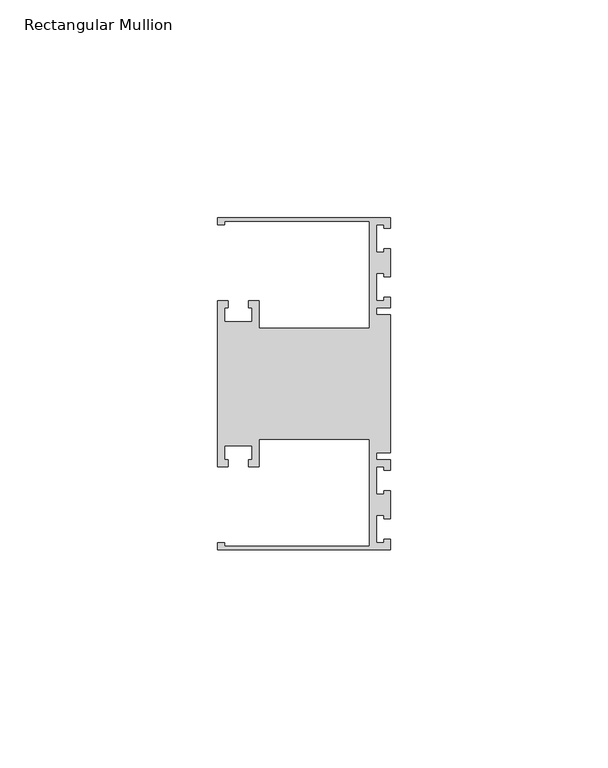
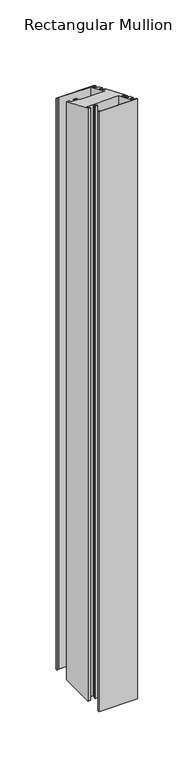
"""IFC4 building model written with IfcOpenShell, lengths in millimetres: member geometry, Rectangular Mullion."""

from ifc_helpers import new_model, si_unit, origin, place, context, project, spatial, faceted_brep, source, transform, mapped, element, save


def rectangular_mullion_a3b3ea64(model_context):
    return source(origin(), model_context, "Body", "Brep", [
        faceted_brep([(0.0, 38.1, -635.0), (0.0, 35.71875, -635.0), (-1.4999946, 35.71875, -635.0), (-1.4999946, 36.5125, -635.0), (-3.175, 36.5125, -635.0), (-3.175, 30.1625, -635.0), (-1.4999946, 30.1625, -635.0), (-1.4999946, 30.95625, -635.0), (0.0, 30.95625, -635.0), (0.0, 24.60625, -635.0), (-1.4999946, 24.60625, -635.0), (-1.4999946, 25.4, -635.0), (-3.175, 25.4, -635.0), (-3.175, 19.05, -635.0), (-1.4999946, 19.05, -635.0), (-1.4999946, 19.84375, -635.0), (0.0, 19.84375, -635.0), (0.0, 17.4625, -635.0), (-3.175, 17.4625, -635.0), (-3.175, 15.875, -635.0), (0.0, 15.875, -635.0), (0.0, -15.875, -635.0), (-3.175, -15.875, -635.0), (-3.175, -17.4625, -635.0), (0.0, -17.4625, -635.0), (0.0, -19.84375, -635.0), (-1.4999946, -19.84375, -635.0), (-1.4999946, -19.05, -635.0), (-3.175, -19.05, -635.0), (-3.175, -25.4, -635.0), (-1.4999946, -25.4, -635.0), (-1.4999946, -24.60625, -635.0), (0.0, -24.60625, -635.0), (0.0, -30.95625, -635.0), (-1.4999946, -30.95625, -635.0), (-1.4999946, -30.1625, -635.0), (-3.175, -30.1625, -635.0), (-3.175, -36.5125, -635.0), (-1.4999946, -36.5125, -635.0), (-1.4999946, -35.71875, -635.0), (0.0, -35.71875, -635.0), (0.0, -38.1, -635.0), (-39.6875, -38.1, -635.0), (-39.6875, -36.5125, -635.0), (-38.1, -36.5125, -635.0), (-38.1, -37.30625, -635.0), (-4.8585733, -37.30625, -635.0), (-4.8585733, -12.6999969, -635.0), (-30.1625, -12.6999969, -635.0), (-30.1625, -19.05, -635.0), (-32.54375, -19.05, -635.0), (-32.54375, -17.4625, -635.0), (-31.75, -17.4625, -635.0), (-31.75, -14.2875, -635.0), (-38.1, -14.2875, -635.0), (-38.1, -17.4625, -635.0), (-37.30625, -17.4625, -635.0), (-37.30625, -19.05, -635.0), (-39.6875, -19.05, -635.0), (-39.6875, 19.05, -635.0), (-37.30625, 19.05, -635.0), (-37.30625, 17.4625, -635.0), (-38.1, 17.4625, -635.0), (-38.1, 14.2875, -635.0), (-31.75, 14.2875, -635.0), (-31.75, 17.4625, -635.0), (-32.54375, 17.4625, -635.0), (-32.54375, 19.05, -635.0), (-30.1625, 19.05, -635.0), (-30.1625, 12.6999969, -635.0), (-4.8585733, 12.6999969, -635.0), (-4.8585733, 37.30625, -635.0), (-38.1, 37.30625, -635.0), (-38.1, 36.5125, -635.0), (-39.6875, 36.5125, -635.0), (-39.6875, 38.1, -635.0), (-39.6875, 38.1, -15.7815367), (0.0, 38.1, -15.7815367), (-39.6875, 36.5125, -15.1239727), (-38.1, 36.5125, -15.1239727), (-38.1, 37.30625, -15.4527547), (-4.8585733, 37.30625, -15.4527547), (-4.8585733, 12.6999969, -5.260511), (-30.1625, 12.6999969, -5.260511), (-30.1625, 19.05, -7.8907684), (-32.54375, 19.05, -7.8907684), (-32.54375, 17.4625, -7.2332043), (-31.75, 17.4625, -7.2332043), (-31.75, 14.2875, -5.9180763), (-38.1, 14.2875, -5.9180763), (-38.1, 17.4625, -7.2332043), (-37.30625, 17.4625, -7.2332043), (-37.30625, 19.05, -7.8907684), (-39.6875, 19.05, -7.8907684), (-39.6875, -19.05, 7.8907684), (-37.30625, -19.05, 7.8907684), (-37.30625, -17.4625, 7.2332043), (-38.1, -17.4625, 7.2332043), (-38.1, -14.2875, 5.9180763), (-31.75, -14.2875, 5.9180763), (-31.75, -17.4625, 7.2332043), (-32.54375, -17.4625, 7.2332043), (-32.54375, -19.05, 7.8907684), (-30.1625, -19.05, 7.8907684), (-30.1625, -12.6999969, 5.260511), (-4.8585733, -12.6999969, 5.260511), (-4.8585733, -37.30625, 15.4527547), (-38.1, -37.30625, 15.4527547), (-38.1, -36.5125, 15.1239727), (-39.6875, -36.5125, 15.1239727), (-39.6875, -38.1, 15.7815367), (0.0, -38.1, 15.7815367), (0.0, -35.71875, 14.7951907), (-1.4999946, -35.71875, 14.7951907), (-1.4999946, -36.5125, 15.1239727), (-3.175, -36.5125, 15.1239727), (-3.175, -30.1625, 12.4937166), (-1.4999946, -30.1625, 12.4937166), (-1.4999946, -30.95625, 12.8224986), (0.0, -30.95625, 12.8224986), (0.0, -24.60625, 10.1922425), (-1.4999946, -24.60625, 10.1922425), (-1.4999946, -25.4, 10.5210245), (-3.175, -25.4, 10.5210245), (-3.175, -19.05, 7.8907684), (-1.4999946, -19.05, 7.8907684), (-1.4999946, -19.84375, 8.2195504), (0.0, -19.84375, 8.2195504), (0.0, -17.4625, 7.2332043), (-3.175, -17.4625, 7.2332043), (-3.175, -15.875, 6.5756403), (0.0, -15.875, 6.5756403), (0.0, 15.875, -6.5756403), (-3.175, 15.875, -6.5756403), (-3.175, 17.4625, -7.2332043), (0.0, 17.4625, -7.2332043), (0.0, 19.84375, -8.2195504), (-1.4999946, 19.84375, -8.2195504), (-1.4999946, 19.05, -7.8907684), (-3.175, 19.05, -7.8907684), (-3.175, 25.4, -10.5210245), (-1.4999946, 25.4, -10.5210245), (-1.4999946, 24.60625, -10.1922425), (0.0, 24.60625, -10.1922425), (0.0, 30.95625, -12.8224986), (-1.4999946, 30.95625, -12.8224986), (-1.4999946, 30.1625, -12.4937166), (-3.175, 30.1625, -12.4937166), (-3.175, 36.5125, -15.1239727), (-1.4999946, 36.5125, -15.1239727), (-1.4999946, 35.71875, -14.7951907), (0.0, 35.71875, -14.7951907)], [[[0, 1, 2, 3, 4, 5, 6, 7, 8, 9, 10, 11, 12, 13, 14, 15, 16, 17, 18, 19, 20, 21, 22, 23, 24, 25, 26, 27, 28, 29, 30, 31, 32, 33, 34, 35, 36, 37, 38, 39, 40, 41, 42, 43, 44, 45, 46, 47, 48, 49, 50, 51, 52, 53, 54, 55, 56, 57, 58, 59, 60, 61, 62, 63, 64, 65, 66, 67, 68, 69, 70, 71, 72, 73, 74, 75]], [[76, 77, 0, 75]], [[78, 76, 75, 74]], [[79, 78, 74, 73]], [[80, 79, 73, 72]], [[81, 80, 72, 71]], [[82, 81, 71, 70]], [[83, 82, 70, 69]], [[84, 83, 69, 68]], [[85, 84, 68, 67]], [[86, 85, 67, 66]], [[87, 86, 66, 65]], [[88, 87, 65, 64]], [[89, 88, 64, 63]], [[90, 89, 63, 62]], [[91, 90, 62, 61]], [[92, 91, 61, 60]], [[93, 92, 60, 59]], [[94, 93, 59, 58]], [[95, 94, 58, 57]], [[96, 95, 57, 56]], [[97, 96, 56, 55]], [[98, 97, 55, 54]], [[99, 98, 54, 53]], [[100, 99, 53, 52]], [[101, 100, 52, 51]], [[102, 101, 51, 50]], [[103, 102, 50, 49]], [[104, 103, 49, 48]], [[105, 104, 48, 47]], [[106, 105, 47, 46]], [[107, 106, 46, 45]], [[108, 107, 45, 44]], [[109, 108, 44, 43]], [[110, 109, 43, 42]], [[111, 110, 42, 41]], [[112, 111, 41, 40]], [[113, 112, 40, 39]], [[114, 113, 39, 38]], [[115, 114, 38, 37]], [[116, 115, 37, 36]], [[117, 116, 36, 35]], [[118, 117, 35, 34]], [[119, 118, 34, 33]], [[120, 119, 33, 32]], [[121, 120, 32, 31]], [[122, 121, 31, 30]], [[123, 122, 30, 29]], [[124, 123, 29, 28]], [[125, 124, 28, 27]], [[126, 125, 27, 26]], [[127, 126, 26, 25]], [[128, 127, 25, 24]], [[129, 128, 24, 23]], [[130, 129, 23, 22]], [[131, 130, 22, 21]], [[132, 131, 21, 20]], [[133, 132, 20, 19]], [[134, 133, 19, 18]], [[135, 134, 18, 17]], [[136, 135, 17, 16]], [[137, 136, 16, 15]], [[138, 137, 15, 14]], [[139, 138, 14, 13]], [[140, 139, 13, 12]], [[141, 140, 12, 11]], [[142, 141, 11, 10]], [[143, 142, 10, 9]], [[144, 143, 9, 8]], [[145, 144, 8, 7]], [[146, 145, 7, 6]], [[147, 146, 6, 5]], [[148, 147, 5, 4]], [[149, 148, 4, 3]], [[150, 149, 3, 2]], [[151, 150, 2, 1]], [[77, 151, 1, 0]], [[77, 76, 78, 79, 80, 81, 82, 83, 84, 85, 86, 87, 88, 89, 90, 91, 92, 93, 94, 95, 96, 97, 98, 99, 100, 101, 102, 103, 104, 105, 106, 107, 108, 109, 110, 111, 112, 113, 114, 115, 116, 117, 118, 119, 120, 121, 122, 123, 124, 125, 126, 127, 128, 129, 130, 131, 132, 133, 134, 135, 136, 137, 138, 139, 140, 141, 142, 143, 144, 145, 146, 147, 148, 149, 150, 151]]]),
    ])


if __name__ == "__main__":
    model = new_model("IFC4")
    model_context = context("Model", 3, world=origin())
    ifc_project = project(units=[si_unit("LENGTHUNIT", "METRE", prefix="MILLI")], contexts=[model_context])
    site = spatial("IfcSite", under=ifc_project)
    building = spatial("IfcBuilding", under=site)
    placement = place(None, origin())
    rectangular_mullion_shape = rectangular_mullion_a3b3ea64(model_context)
    element("IfcMember", 1, ObjectType="Rectangular Mullion", at=placement, inside=building, context=model_context, shape_type="MappedRepresentation", body=[
        mapped(rectangular_mullion_shape, transform((0.0, 0.0, 0.0), x_axis=(1.0, 0.0, 0.0), y_axis=(0.0, 1.0, 0.0), z_axis=(0.0, 0.0, 1.0))),
    ])
    save(model, "model.ifc")
